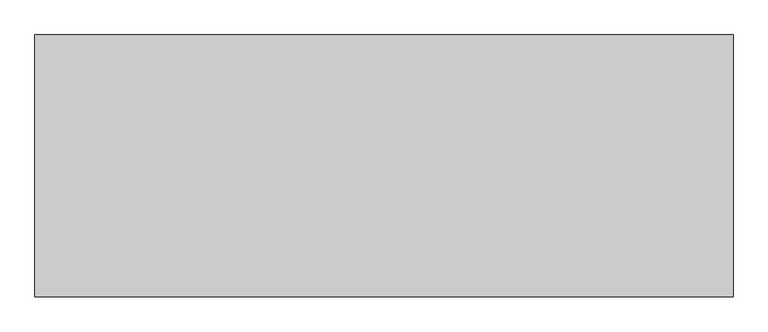
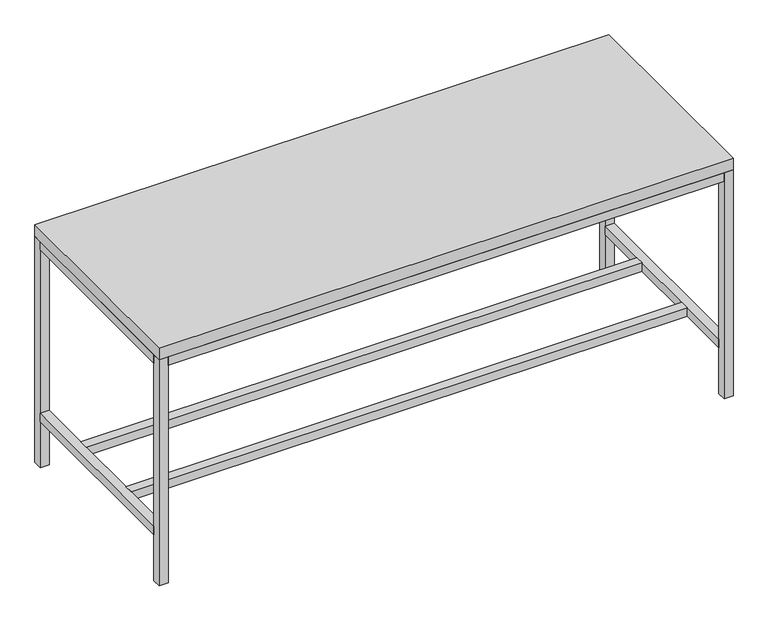
"""IFC4 building model written with IfcOpenShell, lengths in millimetres: furniture geometry."""

from ifc_helpers import new_model, si_unit, frame, origin, origin_with_axes, place, context, project, spatial, polyline, outline, extrude, source, transform, mapped, element, save


def furniture_b69a74ab(model_context):
    return source(origin(), model_context, "Body", "SweptSolid", [
        extrude(outline(polyline([(7251.7, 445.5973297), (7251.7, -468.8026703), (4813.3, -468.8026703), (4813.3, 445.5973297), (7251.7, 445.5973297)])), frame((0.0, 0.0, 1016.0), z_axis=(0.0, 0.0, 1.0), x_axis=(1.0, 0.0, 0.0)), (0.0, 0.0, 1.0), 50.8),
        extrude(outline(polyline([(7213.6, 172.5473297), (7213.6, 134.4473297), (4851.4, 134.4473297), (4851.4, 172.5473297), (7213.6, 172.5473297)])), frame((0.0, 0.0, 206.375), z_axis=(0.0, 0.0, 1.0), x_axis=(1.0, 0.0, 0.0)), (0.0, 0.0, 1.0), 38.1),
        extrude(outline(polyline([(7213.6, -157.6527578), (7213.6, -195.7527578), (4851.4, -195.7527578), (4851.4, -157.6527578), (7213.6, -157.6527578)])), frame((0.0, 0.0, 206.375), z_axis=(0.0, 0.0, 1.0), x_axis=(1.0, 0.0, 0.0)), (0.0, 0.0, 1.0), 38.1),
        extrude(outline(polyline([(7213.6, 407.4973297), (4851.4, 407.4973297), (4851.4, 445.5973297), (7213.6, 445.5973297), (7213.6, 407.4973297)])), frame((0.0, 0.0, 977.9), z_axis=(0.0, 0.0, 1.0), x_axis=(1.0, 0.0, 0.0)), (0.0, 0.0, 1.0), 38.1),
        extrude(outline(polyline([(4851.4, -468.8026703), (4851.4, -430.7027578), (7213.6, -430.7027578), (7213.6, -468.8026703), (4851.4, -468.8026703)])), frame((0.0, 0.0, 977.9), z_axis=(0.0, 0.0, 1.0), x_axis=(1.0, 0.0, 0.0)), (0.0, 0.0, 1.0), 38.1),
        extrude(outline(polyline([(7213.6, -430.7027578), (7213.6, 407.4973297), (7251.7, 407.4973297), (7251.7, -430.7027578), (7213.6, -430.7027578)])), frame((0.0, 0.0, 977.9), z_axis=(0.0, 0.0, 1.0), x_axis=(1.0, 0.0, 0.0)), (0.0, 0.0, 1.0), 38.1),
        extrude(outline(polyline([(7213.6, -430.7027578), (7213.6, 407.4973297), (7251.7, 407.4973297), (7251.7, -430.7027578), (7213.6, -430.7027578)])), frame((0.0, 0.0, 206.375), z_axis=(0.0, 0.0, 1.0), x_axis=(1.0, 0.0, 0.0)), (0.0, 0.0, 1.0), 38.1),
        extrude(outline(polyline([(4813.3, -430.7027578), (4813.3, 407.4973297), (4851.4, 407.4973297), (4851.4, -430.7027578), (4813.3, -430.7027578)])), frame((0.0, 0.0, 206.375), z_axis=(0.0, 0.0, 1.0), x_axis=(1.0, 0.0, 0.0)), (0.0, 0.0, 1.0), 38.1),
        extrude(outline(polyline([(4813.3, -430.7027578), (4813.3, 407.4973297), (4851.4, 407.4973297), (4851.4, -430.7027578), (4813.3, -430.7027578)])), frame((0.0, 0.0, 977.9), z_axis=(0.0, 0.0, 1.0), x_axis=(1.0, 0.0, 0.0)), (0.0, 0.0, 1.0), 38.1),
        extrude(outline(polyline([(7251.7, 445.5973297), (7251.7, 407.4973297), (7213.6, 407.4973297), (7213.6, 445.5973297), (7251.7, 445.5973297)])), origin_with_axes(), (0.0, 0.0, 1.0), 1016.0),
        extrude(outline(polyline([(7251.7, -430.7027578), (7251.7, -468.8026703), (7213.6, -468.8026703), (7213.6, -430.7027578), (7251.7, -430.7027578)])), origin_with_axes(), (0.0, 0.0, 1.0), 1016.0),
        extrude(outline(polyline([(4851.4, -430.7027578), (4851.4, -468.8026703), (4813.3, -468.8026703), (4813.3, -430.7027578), (4851.4, -430.7027578)])), origin_with_axes(), (0.0, 0.0, 1.0), 1016.0),
        extrude(outline(polyline([(4851.4, 445.5973297), (4851.4, 407.4973297), (4813.3, 407.4973297), (4813.3, 445.5973297), (4851.4, 445.5973297)])), origin_with_axes(), (0.0, 0.0, 1.0), 1016.0),
    ])


if __name__ == "__main__":
    model = new_model("IFC4")
    model_context = context("Model", 3, world=origin())
    ifc_project = project(units=[si_unit("LENGTHUNIT", "METRE", prefix="MILLI")], contexts=[model_context])
    site = spatial("IfcSite", under=ifc_project)
    building = spatial("IfcBuilding", under=site)
    placement = place(None, origin())
    furniture_shape = furniture_b69a74ab(model_context)
    element("IfcFurniture", 1, at=placement, inside=building, context=model_context, shape_type="MappedRepresentation", body=[
        mapped(furniture_shape, transform((0.0, 0.0, 0.0), x_axis=(1.0, 0.0, 0.0), y_axis=(0.0, 1.0, 0.0), z_axis=(0.0, 0.0, 1.0))),
    ])
    save(model, "model.ifc")
